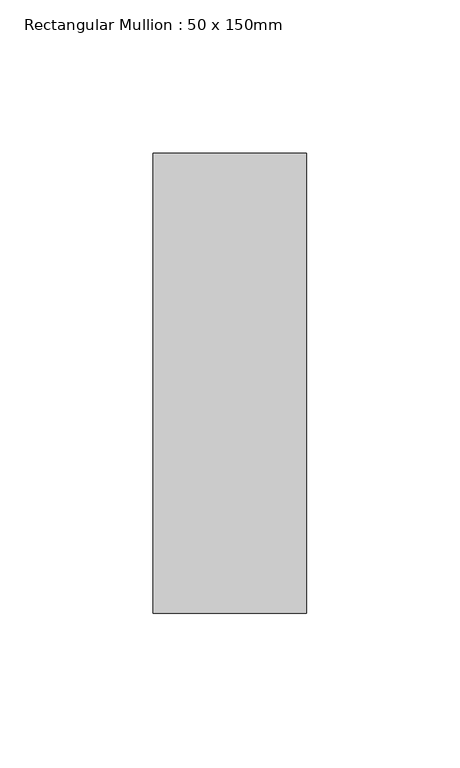
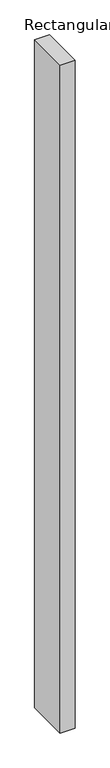
"""IFC4 building model written with IfcOpenShell, lengths in millimetres: member geometry, Rectangular Mullion : 50 x 150mm."""

from ifc_helpers import new_model, si_unit, frame, origin, place, context, project, spatial, polyline, outline, extrude, source, transform, mapped, element, save


def rectangular_mullion_50_x_150mm_6225e4e3(model_context):
    return source(origin(), model_context, "Body", "SweptSolid", [
        extrude(outline(polyline([(25.0, 75.0), (25.0, -75.0), (-25.0, -75.0), (-25.0, 75.0), (25.0, 75.0)])), frame((0.0, 0.0, -2400.0), z_axis=(0.0, 0.0, 1.0), x_axis=(1.0, 0.0, 0.0)), (0.0, 0.0, 1.0), 2400.0),
    ])


if __name__ == "__main__":
    model = new_model("IFC4")
    model_context = context("Model", 3, world=origin())
    ifc_project = project(units=[si_unit("LENGTHUNIT", "METRE", prefix="MILLI")], contexts=[model_context])
    site = spatial("IfcSite", under=ifc_project)
    building = spatial("IfcBuilding", under=site)
    placement = place(None, origin())
    rectangular_mullion_50_x_150mm_shape = rectangular_mullion_50_x_150mm_6225e4e3(model_context)
    element("IfcMember", 1, ObjectType="Rectangular Mullion : 50 x 150mm", at=placement, inside=building, context=model_context, shape_type="MappedRepresentation", body=[
        mapped(rectangular_mullion_50_x_150mm_shape, transform((0.0, 0.0, 0.0), x_axis=(1.0, 0.0, 0.0), y_axis=(0.0, 1.0, 0.0), z_axis=(0.0, 0.0, 1.0))),
    ])
    save(model, "model.ifc")
